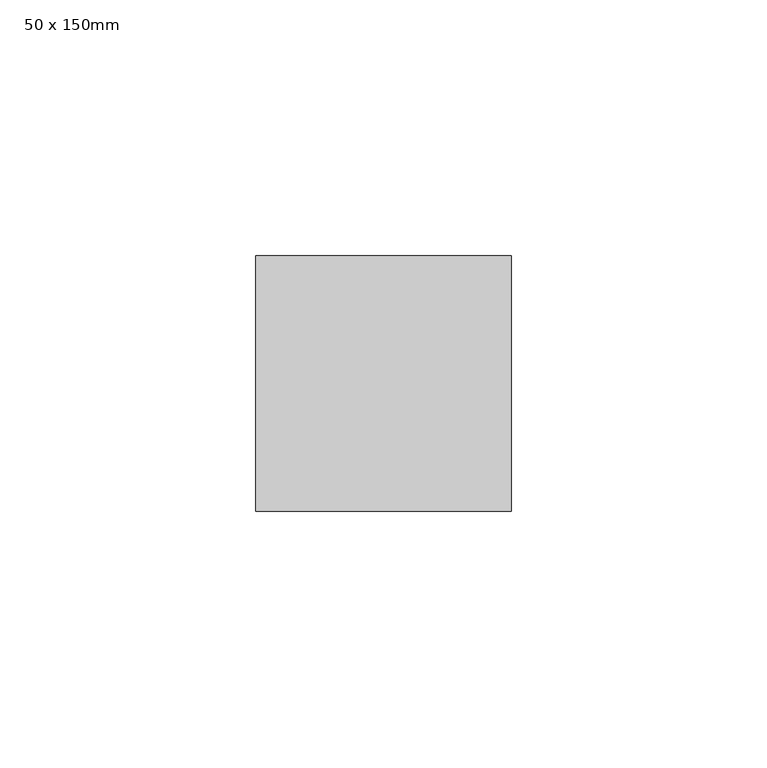
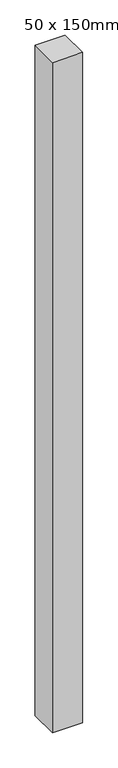
"""IFC4 building model written with IfcOpenShell, lengths in millimetres: member geometry, 50 x 150mm."""

from ifc_helpers import new_model, si_unit, frame, origin, place, context, project, spatial, polyline, outline, extrude, source, transform, mapped, element, save


def member_50_x_150mm_090b4fda(model_context):
    return source(origin(), model_context, "Body", "SweptSolid", [
        extrude(outline(polyline([(25.0, 25.0), (25.0, -25.0), (-25.0, -25.0), (-25.0, 25.0), (25.0, 25.0)])), frame((0.0, 0.0, -1166.9174621), z_axis=(0.0, 0.0, 1.0), x_axis=(1.0, 0.0, 0.0)), (0.0, 0.0, 1.0), 1166.9174621),
    ])


if __name__ == "__main__":
    model = new_model("IFC4")
    model_context = context("Model", 3, world=origin())
    ifc_project = project(units=[si_unit("LENGTHUNIT", "METRE", prefix="MILLI")], contexts=[model_context])
    site = spatial("IfcSite", under=ifc_project)
    building = spatial("IfcBuilding", under=site)
    placement = place(None, origin())
    member_50_x_150mm_shape = member_50_x_150mm_090b4fda(model_context)
    element("IfcMember", 1, ObjectType="50 x 150mm", at=placement, inside=building, context=model_context, shape_type="MappedRepresentation", body=[
        mapped(member_50_x_150mm_shape, transform((0.0, 0.0, 0.0), x_axis=(1.0, 0.0, 0.0), y_axis=(0.0, 1.0, 0.0), z_axis=(0.0, 0.0, 1.0))),
    ])
    save(model, "model.ifc")
